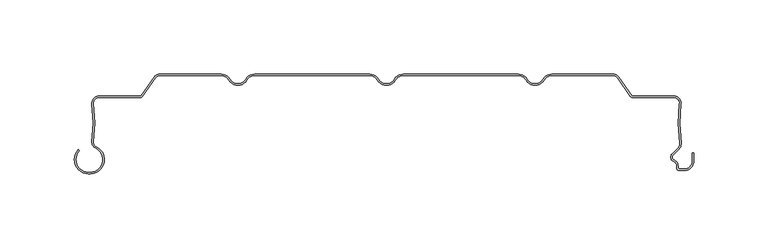
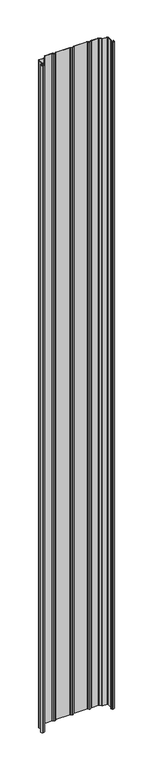
"""IFC4 building model written with IfcOpenShell, lengths in millimetres: plate geometry."""

from ifc_helpers import new_model, si_unit, point, frame_2d, origin, origin_with_axes, place, context, project, spatial, polyline, circle_curve, trimmed, segment, composite_curve, outline, extrude, source, transform, mapped, element, save


def plate_782f65bc(model_context):
    return source(origin(), model_context, "Body", "SweptSolid", [
        extrude(outline(composite_curve([segment(polyline([(-200.5602536, -66.1554676), (-199.3062536, -66.1554676)]), True, "CONTINUOUS"), segment(trimmed(circle_curve(frame_2d((-199.3062536, -57.6554676)), 8.5), [point((-199.3062536, -66.1554676))], [point((-195.7922983, -49.9158218))], True, "CARTESIAN"), True, "CONTINUOUS"), segment(trimmed(circle_curve(frame_2d((-194.0973316, -46.1825808)), 4.1), [point((-195.7922983, -49.9158218))], [point((-198.1686297, -45.6982956))], False, "CARTESIAN"), True, "CONTINUOUS"), segment(trimmed(circle_curve(frame_2d((-296.8447947, -32.9207976)), 99.5), [point((-198.1686297, -45.6982956))], [point((-198.1747736, -20.0959415))], True, "CARTESIAN"), True, "CONTINUOUS"), segment(trimmed(circle_curve(frame_2d((-193.5139786, -19.4901443)), 4.7), [point((-198.1747736, -20.0959415))], [point((-193.5139786, -14.7901443))], False, "CARTESIAN"), True, "CONTINUOUS"), segment(polyline([(-193.5139786, -14.7901443), (-165.7970866, -14.7901443)]), True, "CONTINUOUS"), segment(trimmed(circle_curve(frame_2d((-165.7970866, -13.8401443)), 0.95), [point((-165.7970866, -14.7901443))], [point((-165.0188922, -14.3850419))], True, "CARTESIAN"), True, "CONTINUOUS"), segment(polyline([(-165.0188922, -14.3850419), (-156.3497269, -2.0041907)]), True, "CONTINUOUS"), segment(trimmed(circle_curve(frame_2d((-152.4997123, -4.7)), 4.7), [point((-156.3497269, -2.0041907))], [point((-152.4997123, 0.0))], False, "CARTESIAN"), True, "CONTINUOUS"), segment(polyline([(-152.4997123, 0.0), (-111.2583302, 0.0)]), True, "CONTINUOUS"), segment(trimmed(circle_curve(frame_2d((-111.2583302, -7.0)), 7.0), [point((-111.2583302, 0.0))], [point((-105.1961524, -3.5))], False, "CARTESIAN"), True, "CONTINUOUS"), segment(trimmed(circle_curve(frame_2d((-100.0, -0.5)), 6.0), [point((-105.1961524, -3.5))], [point((-100.0, -6.5))], True, "CARTESIAN"), True, "CONTINUOUS"), segment(trimmed(circle_curve(frame_2d((-100.0, -0.5)), 6.0), [point((-100.0, -6.5))], [point((-94.8038476, -3.5))], True, "CARTESIAN"), True, "CONTINUOUS"), segment(trimmed(circle_curve(frame_2d((-88.7416698, -7.0)), 7.0), [point((-94.8038476, -3.5))], [point((-88.7416698, 0.0))], False, "CARTESIAN"), True, "CONTINUOUS"), segment(polyline([(-88.7416698, 0.0), (-11.2583302, 0.0)]), True, "CONTINUOUS"), segment(trimmed(circle_curve(frame_2d((-11.2583302, -7.0)), 7.0), [point((-11.2583302, 0.0))], [point((-5.1961524, -3.5))], False, "CARTESIAN"), True, "CONTINUOUS"), segment(trimmed(circle_curve(frame_2d((0.0, -0.5)), 6.0), [point((-5.1961524, -3.5))], [point((0.0, -6.5))], True, "CARTESIAN"), True, "CONTINUOUS"), segment(trimmed(circle_curve(frame_2d((0.0, -0.5)), 6.0), [point((0.0, -6.5))], [point((5.1961524, -3.5))], True, "CARTESIAN"), True, "CONTINUOUS"), segment(trimmed(circle_curve(frame_2d((11.2583302, -7.0)), 7.0), [point((5.1961524, -3.5))], [point((11.2583302, 0.0))], False, "CARTESIAN"), True, "CONTINUOUS"), segment(polyline([(11.2583302, 0.0), (88.7416698, 0.0)]), True, "CONTINUOUS"), segment(trimmed(circle_curve(frame_2d((88.7416698, -7.0)), 7.0), [point((88.7416698, 0.0))], [point((94.8038476, -3.5))], False, "CARTESIAN"), True, "CONTINUOUS"), segment(trimmed(circle_curve(frame_2d((100.0, -0.5)), 6.0), [point((94.8038476, -3.5))], [point((100.0, -6.5))], True, "CARTESIAN"), True, "CONTINUOUS"), segment(trimmed(circle_curve(frame_2d((100.0, -0.5)), 6.0), [point((100.0, -6.5))], [point((105.1961524, -3.5))], True, "CARTESIAN"), True, "CONTINUOUS"), segment(trimmed(circle_curve(frame_2d((111.2583302, -7.0)), 7.0), [point((105.1961524, -3.5))], [point((111.2583302, 0.0))], False, "CARTESIAN"), True, "CONTINUOUS"), segment(polyline([(111.2583302, 0.0), (152.4997123, 0.0)]), True, "CONTINUOUS"), segment(trimmed(circle_curve(frame_2d((152.4997123, -4.7)), 4.7), [point((152.4997123, 0.0))], [point((156.3497269, -2.0041907))], False, "CARTESIAN"), True, "CONTINUOUS"), segment(polyline([(156.3497269, -2.0041907), (165.0188922, -14.3850419)]), True, "CONTINUOUS"), segment(trimmed(circle_curve(frame_2d((165.7970866, -13.8401443)), 0.95), [point((165.0188922, -14.3850419))], [point((165.7970866, -14.7901443))], True, "CARTESIAN"), True, "CONTINUOUS"), segment(polyline([(165.7970866, -14.7901443), (193.5139786, -14.7901443)]), True, "CONTINUOUS"), segment(trimmed(circle_curve(frame_2d((193.5139786, -19.4901443)), 4.7), [point((193.5139786, -14.7901443))], [point((198.1747736, -20.0959415))], False, "CARTESIAN"), True, "CONTINUOUS"), segment(trimmed(circle_curve(frame_2d((296.8447947, -32.9207976)), 99.5), [point((198.1747736, -20.0959415))], [point((198.2610449, -46.3927784))], True, "CARTESIAN"), True, "CONTINUOUS"), segment(trimmed(circle_curve(frame_2d((193.604325, -47.0291434)), 4.7), [point((198.2610449, -46.3927784))], [point((196.9277269, -50.3525452))], False, "CARTESIAN"), True, "CONTINUOUS"), segment(polyline([(196.9277269, -50.3525452), (192.8931689, -54.3871033)]), True, "CONTINUOUS"), segment(trimmed(circle_curve(frame_2d((194.4488038, -55.9427382)), 2.2), [point((192.8931689, -54.3871033))], [point((193.6238712, -57.98222))], True, "CARTESIAN"), True, "CONTINUOUS"), segment(trimmed(circle_curve(frame_2d((192.049, -61.8757763)), 4.2), [point((193.6238712, -57.98222))], [point((196.249, -61.8757763))], False, "CARTESIAN"), True, "CONTINUOUS"), segment(polyline([(196.249, -61.8757763), (196.249, -63.0)]), True, "CONTINUOUS"), segment(trimmed(circle_curve(frame_2d((197.249, -63.0)), 1.0), [point((196.249, -63.0))], [point((197.249, -64.0))], True, "CARTESIAN"), True, "CONTINUOUS"), segment(polyline([(197.249, -64.0), (200.55, -64.0)]), True, "CONTINUOUS"), segment(trimmed(circle_curve(frame_2d((200.55, -58.8)), 5.2), [point((200.55, -64.0))], [point((205.75, -58.8))], True, "CARTESIAN"), True, "CONTINUOUS"), segment(polyline([(205.75, -58.8), (205.75, -53.169), (206.75, -53.169), (206.75, -58.8)]), True, "CONTINUOUS"), segment(trimmed(circle_curve(frame_2d((200.55, -58.8)), 6.2), [point((206.75, -58.8))], [point((200.55, -65.0))], False, "CARTESIAN"), True, "CONTINUOUS"), segment(polyline([(200.55, -65.0), (197.249, -65.0)]), True, "CONTINUOUS"), segment(trimmed(circle_curve(frame_2d((197.249, -63.0)), 2.0), [point((197.249, -65.0))], [point((195.249, -63.0))], False, "CARTESIAN"), True, "CONTINUOUS"), segment(polyline([(195.249, -63.0), (195.249, -61.8757763)]), True, "CONTINUOUS"), segment(trimmed(circle_curve(frame_2d((192.049, -61.8757763)), 3.2), [point((195.249, -61.8757763))], [point((193.2489019, -58.9092572))], True, "CARTESIAN"), True, "CONTINUOUS"), segment(trimmed(circle_curve(frame_2d((194.4488038, -55.9427382)), 3.2), [point((193.2489019, -58.9092572))], [point((192.1860621, -53.6799965))], False, "CARTESIAN"), True, "CONTINUOUS"), segment(polyline([(192.1860621, -53.6799965), (196.2206201, -49.6454384)]), True, "CONTINUOUS"), segment(trimmed(circle_curve(frame_2d((193.604325, -47.0291434)), 3.7), [point((196.2206201, -49.6454384))], [point((197.2702534, -46.5281752))], True, "CARTESIAN"), True, "CONTINUOUS"), segment(trimmed(circle_curve(frame_2d((296.8447947, -32.9207976)), 100.5), [point((197.2702534, -46.5281752))], [point((197.1831151, -19.9670485))], False, "CARTESIAN"), True, "CONTINUOUS"), segment(trimmed(circle_curve(frame_2d((193.5139786, -19.4901443)), 3.7), [point((197.1831151, -19.9670485))], [point((193.5139786, -15.7901443))], True, "CARTESIAN"), True, "CONTINUOUS"), segment(polyline([(193.5139786, -15.7901443), (165.7970866, -15.7901443)]), True, "CONTINUOUS"), segment(trimmed(circle_curve(frame_2d((165.7970866, -13.8401443)), 1.95), [point((165.7970866, -15.7901443))], [point((164.1997401, -14.9586183))], False, "CARTESIAN"), True, "CONTINUOUS"), segment(polyline([(164.1997401, -14.9586183), (155.5305748, -2.5777672)]), True, "CONTINUOUS"), segment(trimmed(circle_curve(frame_2d((152.4997123, -4.7)), 3.7), [point((155.5305748, -2.5777672))], [point((152.4997123, -1.0))], True, "CARTESIAN"), True, "CONTINUOUS"), segment(polyline([(152.4997123, -1.0), (111.2583302, -1.0)]), True, "CONTINUOUS"), segment(trimmed(circle_curve(frame_2d((111.2583302, -7.0)), 6.0), [point((111.2583302, -1.0))], [point((106.0621778, -4.0))], True, "CARTESIAN"), True, "CONTINUOUS"), segment(trimmed(circle_curve(frame_2d((100.0, -0.5)), 7.0), [point((106.0621778, -4.0))], [point((100.0, -7.5))], False, "CARTESIAN"), True, "CONTINUOUS"), segment(trimmed(circle_curve(frame_2d((100.0, -0.5)), 7.0), [point((100.0, -7.5))], [point((93.9378222, -4.0))], False, "CARTESIAN"), True, "CONTINUOUS"), segment(trimmed(circle_curve(frame_2d((88.7416698, -7.0)), 6.0), [point((93.9378222, -4.0))], [point((88.7416698, -1.0))], True, "CARTESIAN"), True, "CONTINUOUS"), segment(polyline([(88.7416698, -1.0), (11.2583302, -1.0)]), True, "CONTINUOUS"), segment(trimmed(circle_curve(frame_2d((11.2583302, -7.0)), 6.0), [point((11.2583302, -1.0))], [point((6.0621778, -4.0))], True, "CARTESIAN"), True, "CONTINUOUS"), segment(trimmed(circle_curve(frame_2d((0.0, -0.5)), 7.0), [point((6.0621778, -4.0))], [point((0.0, -7.5))], False, "CARTESIAN"), True, "CONTINUOUS"), segment(trimmed(circle_curve(frame_2d((0.0, -0.5)), 7.0), [point((0.0, -7.5))], [point((-6.0621778, -4.0))], False, "CARTESIAN"), True, "CONTINUOUS"), segment(trimmed(circle_curve(frame_2d((-11.2583302, -7.0)), 6.0), [point((-6.0621778, -4.0))], [point((-11.2583302, -1.0))], True, "CARTESIAN"), True, "CONTINUOUS"), segment(polyline([(-11.2583302, -1.0), (-88.7416698, -1.0)]), True, "CONTINUOUS"), segment(trimmed(circle_curve(frame_2d((-88.7416698, -7.0)), 6.0), [point((-88.7416698, -1.0))], [point((-93.9378222, -4.0))], True, "CARTESIAN"), True, "CONTINUOUS"), segment(trimmed(circle_curve(frame_2d((-100.0, -0.5)), 7.0), [point((-93.9378222, -4.0))], [point((-100.0, -7.5))], False, "CARTESIAN"), True, "CONTINUOUS"), segment(trimmed(circle_curve(frame_2d((-100.0, -0.5)), 7.0), [point((-100.0, -7.5))], [point((-106.0621778, -4.0))], False, "CARTESIAN"), True, "CONTINUOUS"), segment(trimmed(circle_curve(frame_2d((-111.2583302, -7.0)), 6.0), [point((-106.0621778, -4.0))], [point((-111.2583302, -1.0))], True, "CARTESIAN"), True, "CONTINUOUS"), segment(polyline([(-111.2583302, -1.0), (-152.4997123, -1.0)]), True, "CONTINUOUS"), segment(trimmed(circle_curve(frame_2d((-152.4997123, -4.7)), 3.7), [point((-152.4997123, -1.0))], [point((-155.5305748, -2.5777672))], True, "CARTESIAN"), True, "CONTINUOUS"), segment(polyline([(-155.5305748, -2.5777672), (-164.1997401, -14.9586183)]), True, "CONTINUOUS"), segment(trimmed(circle_curve(frame_2d((-165.7970866, -13.8401443)), 1.95), [point((-164.1997401, -14.9586183))], [point((-165.7970866, -15.7901443))], False, "CARTESIAN"), True, "CONTINUOUS"), segment(polyline([(-165.7970866, -15.7901443), (-193.5139786, -15.7901443)]), True, "CONTINUOUS"), segment(trimmed(circle_curve(frame_2d((-193.5139786, -19.4901443)), 3.7), [point((-193.5139786, -15.7901443))], [point((-197.1831151, -19.9670485))], True, "CARTESIAN"), True, "CONTINUOUS"), segment(trimmed(circle_curve(frame_2d((-296.8447947, -32.9207976)), 100.5), [point((-197.1831151, -19.9670485))], [point((-197.1761951, -45.8211947))], False, "CARTESIAN"), True, "CONTINUOUS"), segment(trimmed(circle_curve(frame_2d((-194.0973316, -46.1825808)), 3.1), [point((-197.1761951, -45.8211947))], [point((-195.3788918, -49.0052752))], True, "CARTESIAN"), True, "CONTINUOUS"), segment(trimmed(circle_curve(frame_2d((-199.3062536, -57.6554676)), 9.5), [point((-195.3788918, -49.0052752))], [point((-199.3062536, -67.1554676))], False, "CARTESIAN"), True, "CONTINUOUS"), segment(polyline([(-199.3062536, -67.1554676), (-200.5602536, -67.1554676)]), True, "CONTINUOUS"), segment(trimmed(circle_curve(frame_2d((-200.5602536, -57.6554676)), 9.5), [point((-200.5602536, -67.1554676))], [point((-207.277768, -50.9379532))], False, "CARTESIAN"), True, "CONTINUOUS"), segment(polyline([(-207.277768, -50.9379532), (-206.5706612, -51.64506)]), True, "CONTINUOUS"), segment(trimmed(circle_curve(frame_2d((-200.5602536, -57.6554676)), 8.5), [point((-206.5706612, -51.64506))], [point((-200.5602536, -66.1554676))], True, "CARTESIAN"), True, "CONTINUOUS")], self_intersect=False)), origin_with_axes(), (0.0, 0.0, 1.0), 4000.0),
    ])


if __name__ == "__main__":
    model = new_model("IFC4")
    model_context = context("Model", 3, world=origin())
    ifc_project = project(units=[si_unit("LENGTHUNIT", "METRE", prefix="MILLI")], contexts=[model_context])
    site = spatial("IfcSite", under=ifc_project)
    building = spatial("IfcBuilding", under=site)
    placement = place(None, origin())
    plate_shape = plate_782f65bc(model_context)
    element("IfcPlate", 1, at=placement, inside=building, context=model_context, shape_type="MappedRepresentation", body=[
        mapped(plate_shape, transform((0.0, 0.0, 0.0), x_axis=(1.0, 0.0, 0.0), y_axis=(0.0, 1.0, 0.0), z_axis=(0.0, 0.0, 1.0))),
    ])
    save(model, "model.ifc")
